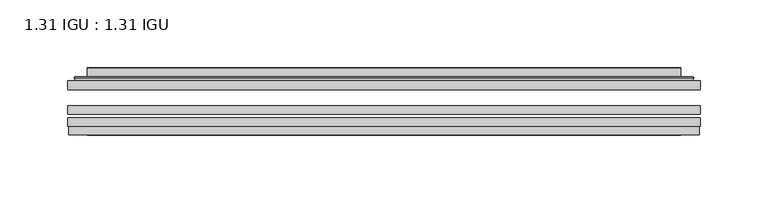
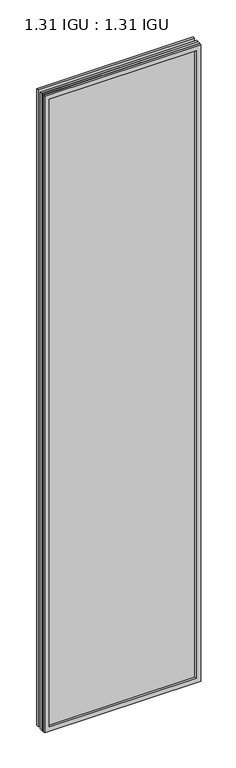
"""IFC4 building model written with IfcOpenShell, lengths in millimetres: plate geometry, 1.31 IGU : 1.31 IGU."""

from ifc_helpers import new_model, si_unit, frame, origin, place, context, project, spatial, polyline, ellipse_curve, outline, extrude, faceted_brep, source, transform, mapped, element, save
from ifc_brep_helpers import plane_surface, cylinder_surface, advanced_brep


def plate_1_31_igu_1_31_igu_2868e2b7(model_context):
    return source(origin(), model_context, "Body", "SolidModel", [
        extrude(outline(polyline([(233.376675, -63.59525), (233.376675, -69.94525), (-233.3625, -69.94525), (-233.3625, -63.59525), (233.376675, -63.59525)])), frame((0.0, 0.0, -14.2875), z_axis=(0.0, 0.0, 1.0), x_axis=(1.0, 0.0, 0.0)), (0.0, 0.0, 1.0), 2009.8015278),
        extrude(outline(polyline([(-233.3625, -78.58125), (-233.3625, -72.230745), (233.376675, -72.230745), (233.376675, -78.58125), (-233.3625, -78.58125)])), frame((0.0, 0.0, -14.2875), z_axis=(0.0, 0.0, 1.0), x_axis=(1.0, 0.0, 0.0)), (0.0, 0.0, 1.0), 2009.8015278),
        extrude(outline(polyline([(233.376675, -45.25645), (233.376675, -51.60645), (-233.3625, -51.60645), (-233.3625, -45.25645), (233.376675, -45.25645)])), frame((0.0, 0.0, -14.2875), z_axis=(0.0, 0.0, 1.0), x_axis=(1.0, 0.0, 0.0)), (0.0, 0.0, 1.0), 2009.8015278),
        faceted_brep([(-232.6623142, -84.93125, 1994.8100441), (-232.6623142, -78.58125, 1994.8100441), (-232.6623142, -78.58125, -13.5873142), (-232.6623142, -84.93125, -13.5873142), (232.6623142, -78.58125, -13.5873142), (232.6623142, -84.93125, -13.5873142), (232.6623142, -78.58125, 1994.8100441), (232.6623142, -84.93125, 1994.8100441), (-218.1772559, -78.58125, 0.8977441), (218.1772559, -78.58125, 0.8977441), (218.1772559, -78.58125, 1980.3249858), (-218.1772559, -78.58125, 1980.3249858), (-219.0696902, -84.93125, 1981.2174201), (219.0696902, -84.93125, 1981.2174201), (219.0696902, -84.93125, 0.0053098), (-219.0696902, -84.93125, 0.0053098)], [[[0, 1, 2, 3]], [[3, 2, 4, 5]], [[5, 4, 6, 7]], [[1, 6, 4, 2], [8, 9, 10, 11]], [[7, 6, 1, 0]], [[3, 5, 7, 0], [12, 13, 14, 15]], [[11, 12, 15, 8]], [[8, 15, 14, 9]], [[9, 14, 13, 10]], [[10, 13, 12, 11]]]),
        advanced_brep(
        [(-226.121219, -45.25645, 1988.2689489), (-228.4754244, -43.2667833, 1990.6231543), (-228.4754244, -43.2667833, -9.4004244), (-226.121219, -45.25645, -7.046219), (-217.0468939, -41.416413, 1979.1946238), (-212.1120621, -45.25645, 1974.2597919), (-212.1120621, -45.25645, 6.9629379), (-217.0468939, -41.416413, 2.0281061), (-218.0789217, -36.0191819, 1980.2266515), (-218.0789217, -36.0191819, 0.9960783), (-219.0695784, -35.6202069, 1981.2173083), (-219.0695784, -35.6202069, 0.0054216), (-219.0695784, -42.08145, 1981.2173083), (-219.0695784, -42.08145, 0.0054216), (-227.4736349, -42.08145, 1989.6213648), (-227.4736349, -42.08145, -8.3986349), (228.4754244, -43.2667833, -9.4004244), (226.121219, -45.25645, -7.046219), (212.1120621, -45.25645, 6.9629379), (217.0468939, -41.416413, 2.0281061), (218.0789217, -36.0191819, 0.9960783), (219.0695784, -35.6202069, 0.0054216), (219.0695784, -42.08145, 0.0054216), (227.4736349, -42.08145, -8.3986349), (228.4754244, -43.2667833, 1990.6231543), (226.121219, -45.25645, 1988.2689489), (212.1120621, -45.25645, 1974.2597919), (217.0468939, -41.416413, 1979.1946238), (218.0789217, -36.0191819, 1980.2266515), (219.0695784, -35.6202069, 1981.2173083), (219.0695784, -42.08145, 1981.2173083), (227.4736349, -42.08145, 1989.6213648)],
        [
            (0, 1, ellipse_curve(frame((-226.121219, -42.86885, 1988.2689489), z_axis=(-0.7071067811865475, 0.0, -0.7071067811865475), x_axis=(-0.7071067811865474, 0.0, 0.7071067811865476)), 3.3765763, 2.3876)),
            (1, 2),
            (2, 3, ellipse_curve(frame((-226.121219, -42.86885, -7.046219), z_axis=(-0.7071067811865475, 0.0, 0.7071067811865475), x_axis=(0.7071067811865474, 0.0, 0.7071067811865476)), 3.3765763, 2.3876)),
            (3, 0),
            (4, 5),
            (5, 6),
            (6, 7),
            (7, 4),
            (8, 4),
            (7, 9),
            (9, 8),
            (10, 8, ellipse_curve(frame((-218.7026219, -36.1384423, 1980.8503517), z_axis=(-0.7071067811865475, 0.0, -0.7071067811865475), x_axis=(-0.7071067811865474, 0.0, 0.7071067811865476)), 0.8980256, 0.635)),
            (9, 11, ellipse_curve(frame((-218.7026219, -36.1384423, 0.3723781), z_axis=(-0.7071067811865475, 0.0, 0.7071067811865475), x_axis=(0.7071067811865474, 0.0, 0.7071067811865476)), 0.8980256, 0.635)),
            (11, 10),
            (12, 10),
            (11, 13),
            (13, 12),
            (1, 14, ellipse_curve(frame((-227.4736349, -43.09745, 1989.6213648), z_axis=(-0.7071067811865475, 0.0, -0.7071067811865475), x_axis=(-0.7071067811865474, 0.0, 0.7071067811865476)), 1.436841, 1.016)),
            (14, 15),
            (15, 2, ellipse_curve(frame((-227.4736349, -43.09745, -8.3986349), z_axis=(-0.7071067811865475, 0.0, 0.7071067811865475), x_axis=(0.7071067811865474, 0.0, 0.7071067811865476)), 1.436841, 1.016)),
            (2, 16),
            (16, 17, ellipse_curve(frame((226.121219, -42.86885, -7.046219), z_axis=(-0.7071067811865475, 0.0, -0.7071067811865475), x_axis=(-0.7071067811865476, 0.0, 0.7071067811865474)), 3.3765763, 2.3876)),
            (17, 3),
            (6, 18),
            (18, 19),
            (19, 7),
            (19, 20),
            (20, 9),
            (20, 21, ellipse_curve(frame((218.7026219, -36.1384423, 0.3723781), z_axis=(-0.7071067811865475, 0.0, -0.7071067811865475), x_axis=(-0.7071067811865476, 0.0, 0.7071067811865474)), 0.8980256, 0.635)),
            (21, 11),
            (21, 22),
            (22, 13),
            (15, 23),
            (23, 16, ellipse_curve(frame((227.4736349, -43.09745, -8.3986349), z_axis=(-0.7071067811865475, 0.0, -0.7071067811865475), x_axis=(-0.7071067811865476, 0.0, 0.7071067811865474)), 1.436841, 1.016)),
            (16, 24),
            (24, 25, ellipse_curve(frame((226.121219, -42.86885, 1988.2689489), z_axis=(0.7071067811865475, 0.0, -0.7071067811865475), x_axis=(-0.7071067811865474, 0.0, -0.7071067811865476)), 3.3765763, 2.3876)),
            (25, 17),
            (18, 26),
            (26, 27),
            (27, 19),
            (27, 28),
            (28, 20),
            (28, 29, ellipse_curve(frame((218.7026219, -36.1384423, 1980.8503517), z_axis=(0.7071067811865475, 0.0, -0.7071067811865475), x_axis=(-0.7071067811865474, 0.0, -0.7071067811865476)), 0.8980256, 0.635)),
            (29, 21),
            (29, 30),
            (30, 22),
            (23, 31),
            (31, 24, ellipse_curve(frame((227.4736349, -43.09745, 1989.6213648), z_axis=(0.7071067811865475, 0.0, -0.7071067811865475), x_axis=(-0.7071067811865474, 0.0, -0.7071067811865476)), 1.436841, 1.016)),
            (24, 1),
            (0, 25),
            (5, 26),
            (4, 27),
            (8, 28),
            (10, 29),
            (12, 30),
            (14, 31),
        ],
        [
            cylinder_surface(frame((-226.121219, -42.86885, 2012.9727299), z_axis=(0.0, 0.0, 1.0), x_axis=(-1.0, 0.0, 0.0)), 2.3876),
            plane_surface(frame((-212.1120621, -45.25645, 1974.2597919), z_axis=(0.6141233906514794, 0.7892100234124821, 0.0), x_axis=(0.0, 0.0, -1.0))),
            plane_surface(frame((-217.0468939, -41.416413, 1979.1946238), z_axis=(0.9822050625507729, 0.18781164793386074, 0.0), x_axis=(0.0, 0.0, -1.0))),
            cylinder_surface(frame((-218.7026219, -36.1384423, 2012.9727299), z_axis=(0.0, 0.0, 1.0), x_axis=(-1.0, 0.0, 0.0)), 0.635),
            plane_surface(frame((-219.0695784, -35.6202069, 1981.2173083), z_axis=(-1.0, 0.0, 0.0), x_axis=(0.0, 0.0, -1.0))),
            cylinder_surface(frame((-227.4736349, -43.09745, 2012.9727299), z_axis=(0.0, 0.0, 1.0), x_axis=(-1.0, 0.0, 0.0)), 1.016),
            cylinder_surface(frame((-250.825, -42.86885, -7.046219), z_axis=(-1.0, 0.0, 0.0), x_axis=(0.0, 0.0, -1.0)), 2.3876),
            plane_surface(frame((-212.1120621, -45.25645, 6.9629379), z_axis=(0.0, 0.7892100234124841, 0.6141233906514768), x_axis=(1.0, 0.0, 0.0))),
            plane_surface(frame((-217.0468939, -41.416413, 2.0281061), z_axis=(0.0, 0.18781164793386393, 0.9822050625507723), x_axis=(1.0, 0.0, 0.0))),
            cylinder_surface(frame((-250.825, -36.1384423, 0.3723781), z_axis=(-1.0, 0.0, 0.0), x_axis=(0.0, 0.0, -1.0)), 0.635),
            plane_surface(frame((-219.0695784, -35.6202069, 0.0054216), z_axis=(0.0, 0.0, -1.0), x_axis=(1.0, 0.0, 0.0))),
            cylinder_surface(frame((-250.825, -43.09745, -8.3986349), z_axis=(-1.0, 0.0, 0.0), x_axis=(0.0, 0.0, -1.0)), 1.016),
            cylinder_surface(frame((226.121219, -42.86885, -31.75), z_axis=(0.0, 0.0, -1.0), x_axis=(1.0, 0.0, 0.0)), 2.3876),
            plane_surface(frame((212.1120621, -45.25645, 6.9629379), z_axis=(-0.6141233906514743, 0.7892100234124861, 0.0), x_axis=(0.0, 0.0, 1.0))),
            plane_surface(frame((217.0468939, -41.416413, 2.0281061), z_axis=(-0.9822050625507718, 0.18781164793386712, 0.0), x_axis=(0.0, 0.0, 1.0))),
            cylinder_surface(frame((218.7026219, -36.1384423, -31.75), z_axis=(0.0, 0.0, -1.0), x_axis=(1.0, 0.0, 0.0)), 0.635),
            plane_surface(frame((219.0695784, -35.6202069, 0.0054216), z_axis=(1.0, 0.0, 0.0), x_axis=(0.0, 0.0, 1.0))),
            cylinder_surface(frame((227.4736349, -43.09745, -31.75), z_axis=(0.0, 0.0, -1.0), x_axis=(1.0, 0.0, 0.0)), 1.016),
            cylinder_surface(frame((250.825, -42.86885, 1988.2689489), z_axis=(1.0, 0.0, 0.0), x_axis=(0.0, 0.0, 1.0)), 2.3876),
            plane_surface(frame((226.121219, -45.25645, 1988.2689489), z_axis=(0.0, -1.0, 0.0), x_axis=(-1.0, 0.0, 0.0))),
            plane_surface(frame((212.1120621, -45.25645, 1974.2597919), z_axis=(0.0, 0.7892100234124841, -0.6141233906514768), x_axis=(-1.0, 0.0, 0.0))),
            plane_surface(frame((217.0468939, -41.416413, 1979.1946238), z_axis=(0.0, 0.18781164793386393, -0.9822050625507723), x_axis=(-1.0, 0.0, 0.0))),
            cylinder_surface(frame((250.825, -36.1384423, 1980.8503517), z_axis=(1.0, 0.0, 0.0), x_axis=(0.0, 0.0, 1.0)), 0.635),
            plane_surface(frame((219.0695784, -35.6202069, 1981.2173083), z_axis=(0.0, 0.0, 1.0), x_axis=(-1.0, 0.0, 0.0))),
            plane_surface(frame((219.0695784, -42.08145, 1981.2173083), z_axis=(0.0, 1.0, 0.0), x_axis=(-1.0, 0.0, 0.0))),
            cylinder_surface(frame((250.825, -43.09745, 1989.6213648), z_axis=(1.0, 0.0, 0.0), x_axis=(0.0, 0.0, 1.0)), 1.016),
        ],
        [
            (0, [[1, 2, 3, 4]]),
            (1, [[5, 6, 7, 8]]),
            (2, [[9, -8, 10, 11]]),
            (3, [[12, -11, 13, 14]]),
            (4, [[15, -14, 16, 17]]),
            (5, [[18, 19, 20, -2]]),
            (6, [[-3, 21, 22, 23]]),
            (7, [[-7, 24, 25, 26]]),
            (8, [[-10, -26, 27, 28]]),
            (9, [[-13, -28, 29, 30]]),
            (10, [[-16, -30, 31, 32]]),
            (11, [[-20, 33, 34, -21]]),
            (12, [[-22, 35, 36, 37]]),
            (13, [[-25, 38, 39, 40]]),
            (14, [[-27, -40, 41, 42]]),
            (15, [[-29, -42, 43, 44]]),
            (16, [[-31, -44, 45, 46]]),
            (17, [[-34, 47, 48, -35]]),
            (18, [[-36, 49, -1, 50]]),
            (19, [[-23, -37, -50, -4], [51, -38, -24, -6]]),
            (20, [[-39, -51, -5, 52]]),
            (21, [[-41, -52, -9, 53]]),
            (22, [[-43, -53, -12, 54]]),
            (23, [[-45, -54, -15, 55]]),
            (24, [[56, -47, -33, -19], [-32, -46, -55, -17]]),
            (25, [[-48, -56, -18, -49]]),
        ],
    ),
    ])


if __name__ == "__main__":
    model = new_model("IFC4")
    model_context = context("Model", 3, world=origin())
    ifc_project = project(units=[si_unit("LENGTHUNIT", "METRE", prefix="MILLI")], contexts=[model_context])
    site = spatial("IfcSite", under=ifc_project)
    building = spatial("IfcBuilding", under=site)
    placement = place(None, origin())
    plate_1_31_igu_1_31_igu_shape = plate_1_31_igu_1_31_igu_2868e2b7(model_context)
    element("IfcPlate", 1, ObjectType="1.31 IGU : 1.31 IGU", at=placement, inside=building, context=model_context, shape_type="MappedRepresentation", body=[
        mapped(plate_1_31_igu_1_31_igu_shape, transform((0.0, 0.0, 0.0), x_axis=(1.0, 0.0, 0.0), y_axis=(0.0, 1.0, 0.0), z_axis=(0.0, 0.0, 1.0))),
    ])
    save(model, "model.ifc")
